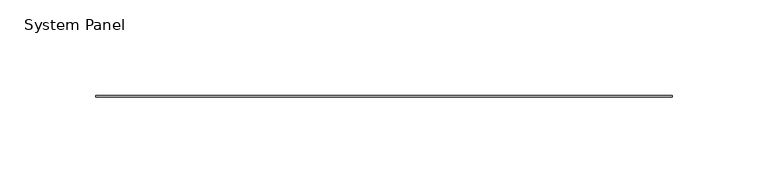
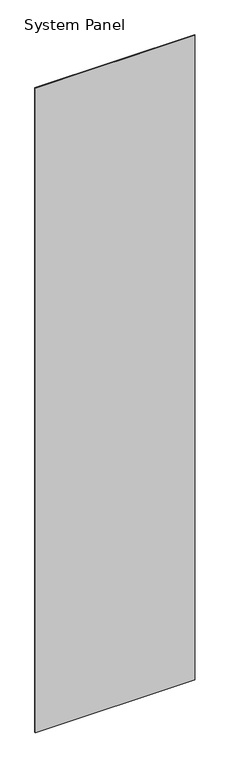
"""IFC4 building model written with IfcOpenShell, lengths in millimetres: plate geometry, System Panel."""

from ifc_helpers import new_model, si_unit, origin, origin_with_axes, place, context, project, spatial, polyline, outline, extrude, source, transform, mapped, element, save


def system_panel_d43c26f7(model_context):
    return source(origin(), model_context, "Body", "SweptSolid", [
        extrude(outline(polyline([(150.6855, -0.396875), (-150.6855, -0.396875), (-150.6855, 0.396875), (150.6855, 0.396875), (150.6855, -0.396875)])), origin_with_axes(), (0.0, 0.0, 1.0), 1285.875),
    ])


if __name__ == "__main__":
    model = new_model("IFC4")
    model_context = context("Model", 3, world=origin())
    ifc_project = project(units=[si_unit("LENGTHUNIT", "METRE", prefix="MILLI")], contexts=[model_context])
    site = spatial("IfcSite", under=ifc_project)
    building = spatial("IfcBuilding", under=site)
    placement = place(None, origin())
    system_panel_shape = system_panel_d43c26f7(model_context)
    element("IfcPlate", 1, ObjectType="System Panel", at=placement, inside=building, context=model_context, shape_type="MappedRepresentation", body=[
        mapped(system_panel_shape, transform((0.0, 0.0, 0.0), x_axis=(1.0, 0.0, 0.0), y_axis=(0.0, 1.0, 0.0), z_axis=(0.0, 0.0, 1.0))),
    ])
    save(model, "model.ifc")
